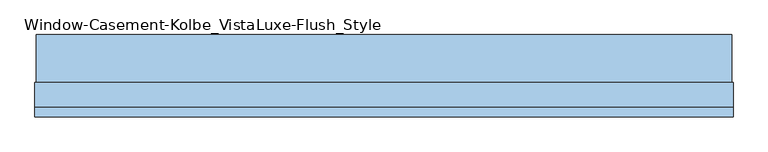
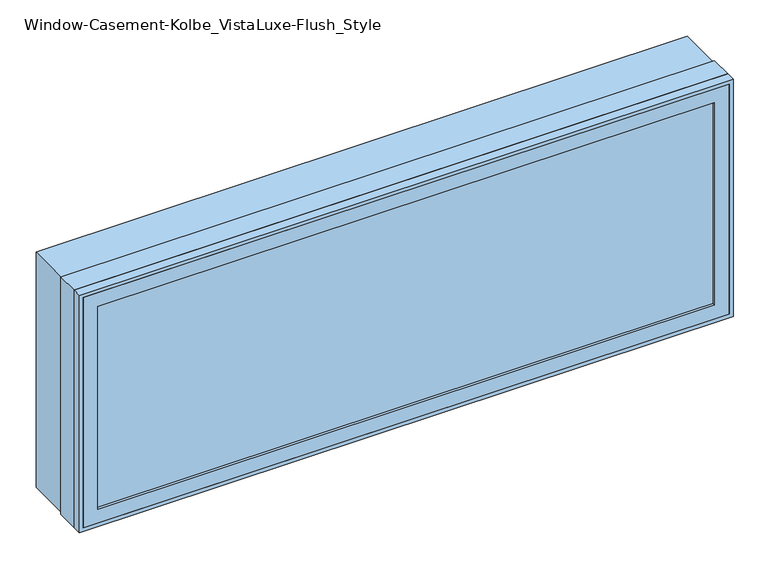
"""IFC4 building model written with IfcOpenShell, lengths in millimetres: window geometry, Window-Casement-Kolbe_VistaLuxe-Flush_Style."""

import ifcopenshell
import ifcopenshell.guid

model = None  # the IFC model being written
_history = None  # IfcOwnerHistory: only IFC2X3 demands one
_inside = {}  # id of a spatial element -> (the spatial element, [elements in it])
_under = {}  # id of a project, library or spatial element -> (it, [spatial elements below it])
_declared = {}  # id of a project -> (the project, [libraries it declares])
_typed = {}  # id of a type object -> (the type object, [elements of that type])
_made_of = {}  # id of a material, layer set ... -> (it, [elements and type objects made of it])


def new_model(schema):
    """Start an empty IFC model of exactly this schema.

    Asked for "IFC4X3", IfcOpenShell would pick the latest addendum, in which some entities
    have other attributes; the version numbers below select the first issue.
    IFC2X3 requires an IfcOwnerHistory on every rooted entity: one is made here for all.
    """
    global model, _history
    if schema == "IFC4X3":
        model = ifcopenshell.file(schema_version=(4, 3, 0, 0))
    else:
        model = ifcopenshell.file(schema=schema)
    _inside.clear()
    _under.clear()
    _declared.clear()
    _typed.clear()
    _made_of.clear()
    _history = None
    if model.schema == "IFC2X3":
        org = make("IfcOrganization", Name="unknown")
        user = make(
            "IfcPersonAndOrganization",
            ThePerson=make("IfcPerson", FamilyName="unknown"),
            TheOrganization=org,
        )
        app = make(
            "IfcApplication",
            ApplicationDeveloper=org,
            Version="unknown",
            ApplicationFullName="unknown",
            ApplicationIdentifier="unknown",
        )
        _history = make(
            "IfcOwnerHistory",
            OwningUser=user,
            OwningApplication=app,
            ChangeAction="ADDED",
            CreationDate=0,
        )
    return model


def make(cls, **values):
    """One entity of the class cls with the attributes given. An attribute that is None is left unset."""
    return model.create_entity(
        cls, **{name: value for name, value in values.items() if value is not None}
    )


def rooted(cls, **values):
    """An entity with a GlobalId (a new one), such as an element, a storey or a relation."""
    return make(cls, GlobalId=ifcopenshell.guid.new(), OwnerHistory=_history, **values)


def si_unit(unit_type, name, prefix=None):
    """IfcSIUnit, for example si_unit("LENGTHUNIT", "METRE", prefix="MILLI")."""
    return make("IfcSIUnit", UnitType=unit_type, Prefix=prefix, Name=name)


def assignment(units):
    """IfcUnitAssignment: the units of a project."""
    return None if units is None else make("IfcUnitAssignment", Units=units)


def point(xyz):
    """IfcCartesianPoint."""
    return None if xyz is None else make("IfcCartesianPoint", Coordinates=xyz)


def direction(xyz):
    """IfcDirection."""
    return None if xyz is None else make("IfcDirection", DirectionRatios=xyz)


def frame(location, z_axis=None, x_axis=None):
    """IfcAxis2Placement3D, a coordinate frame: its origin and axes. An axis left out is left unset."""
    return make(
        "IfcAxis2Placement3D",
        Location=point(location),
        Axis=direction(z_axis),
        RefDirection=direction(x_axis),
    )


def origin():
    """The frame at (0, 0, 0) with its axes left unset."""
    return frame((0.0, 0.0, 0.0))


def place(relative_to, where):
    """IfcLocalPlacement: puts the frame where relative to a parent placement (None: the world)."""
    return make(
        "IfcLocalPlacement", PlacementRelTo=relative_to, RelativePlacement=where
    )


def context(
    kind, dimensions, precision=None, world=None, true_north=None, identifier=None
):
    """IfcGeometricRepresentationContext, for example the 3D "Model" context."""
    return make(
        "IfcGeometricRepresentationContext",
        ContextIdentifier=identifier,
        ContextType=kind,
        CoordinateSpaceDimension=dimensions,
        Precision=precision,
        WorldCoordinateSystem=world,
        TrueNorth=true_north,
    )


def project(units=None, contexts=None):
    """IfcProject with its units and contexts."""
    return rooted(
        "IfcProject",
        Name="project",
        RepresentationContexts=contexts,
        UnitsInContext=assignment(units),
    )


def spatial(cls, under=None, at=None, **own):
    """A site, building, storey or space (cls), placed at a placement, below another one or the project."""
    s = rooted(cls, ObjectPlacement=at, **own)
    if under is not None:
        _under.setdefault(under.id(), (under, []))[1].append(s)
    return s


def polyline(points):
    """IfcPolyline through the points."""
    return make("IfcPolyline", Points=[point(p) for p in points])


def outline(outer, holes=None, kind="AREA"):
    """IfcArbitraryClosedProfileDef: a profile drawn as a closed curve; with holes, ...WithVoids."""
    if holes is None:
        return make("IfcArbitraryClosedProfileDef", ProfileType=kind, OuterCurve=outer)
    return make(
        "IfcArbitraryProfileDefWithVoids",
        ProfileType=kind,
        OuterCurve=outer,
        InnerCurves=holes,
    )


def extrude(swept, where, along, depth):
    """IfcExtrudedAreaSolid: the profile swept, set in the frame where, extruded along a direction by depth."""
    return make(
        "IfcExtrudedAreaSolid",
        SweptArea=swept,
        Position=where,
        ExtrudedDirection=direction(along),
        Depth=depth,
    )


def faces_of(points, faces, orient=None, outer=None):
    """IfcFace entities. A face is a list of loops; a loop is a list of indices into points, from 0.

    orient and outer hold one flag for each loop. By default every Orientation is true, the
    first loop of a face is its IfcFaceOuterBound and the others are IfcFaceBound.
    """
    made = []
    for i, loops in enumerate(faces):
        bounds = []
        for j, loop in enumerate(loops):
            is_outer = j == 0 if outer is None else outer[i][j]
            bounds.append(
                make(
                    "IfcFaceOuterBound" if is_outer else "IfcFaceBound",
                    Bound=make("IfcPolyLoop", Polygon=[points[k] for k in loop]),
                    Orientation=True if orient is None else orient[i][j],
                )
            )
        made.append(make("IfcFace", Bounds=bounds))
    return made


def faceted_brep(points, faces, orient=None, outer=None, voids=None):
    """IfcFacetedBrep: a solid bounded by flat faces; with voids (closed shells), ...WithVoids."""
    shared = [point(p) for p in points]
    hull = make("IfcClosedShell", CfsFaces=faces_of(shared, faces, orient, outer))
    if voids is None:
        return make("IfcFacetedBrep", Outer=hull)
    return make(
        "IfcFacetedBrepWithVoids",
        Outer=hull,
        Voids=[
            make(cls, CfsFaces=faces_of(shared, fs, o, b)) for cls, fs, o, b in voids
        ],
    )


def shape(context_of_items, identifier, shape_type, items):
    """IfcShapeRepresentation: the items that make up one representation, for example the "Body"."""
    return make(
        "IfcShapeRepresentation",
        ContextOfItems=context_of_items,
        RepresentationIdentifier=identifier,
        RepresentationType=shape_type,
        Items=items,
    )


def source(mapping_origin, context_of_items, identifier, shape_type, items):
    """IfcRepresentationMap: a shape defined once, which mapped items show again and again."""
    return make(
        "IfcRepresentationMap",
        MappingOrigin=mapping_origin,
        MappedRepresentation=shape(context_of_items, identifier, shape_type, items),
    )


def transform(
    local_origin,
    x_axis=None,
    y_axis=None,
    z_axis=None,
    scale=None,
    scale2=None,
    scale3=None,
    uniform=True,
):
    """IfcCartesianTransformationOperator3D, or its non-uniform kind. x_axis, y_axis, z_axis: its Axis1, 2, 3."""
    if uniform:
        return make(
            "IfcCartesianTransformationOperator3D",
            Axis1=direction(x_axis),
            Axis2=direction(y_axis),
            LocalOrigin=point(local_origin),
            Scale=scale,
            Axis3=direction(z_axis),
        )
    return make(
        "IfcCartesianTransformationOperator3DnonUniform",
        Axis1=direction(x_axis),
        Axis2=direction(y_axis),
        LocalOrigin=point(local_origin),
        Scale=scale,
        Axis3=direction(z_axis),
        Scale2=scale2,
        Scale3=scale3,
    )


def mapped(mapping_source, mapping_target):
    """IfcMappedItem: shows the shape of a source again, moved by a transform."""
    return make(
        "IfcMappedItem", MappingSource=mapping_source, MappingTarget=mapping_target
    )


def made_of(thing, what):
    """Note that an element or type object is made of a material, layer set ...; save() writes the relation."""
    if what is not None:
        _made_of.setdefault(what.id(), (what, []))[1].append(thing)
    return thing


def element(
    cls,
    number,
    at=None,
    inside=None,
    cuts=None,
    type_object=None,
    material=None,
    context=None,
    identifier="Body",
    shape_type=None,
    held_by="IfcProductDefinitionShape",
    body=None,
    shapes=None,
    **own,
):
    """One element of the class cls, such as IfcWall. Its Tag is "e" and its number.

    at: its placement. inside: the storey or other place that contains it. cuts: it is an
    opening in that element (IfcRelVoidsElement). A single representation is given by context,
    identifier, shape_type and body (its items); several are given by shapes. held_by: the class
    of the entity that holds the representations. save() writes the other relations.
    """
    e = rooted(cls, Tag="e%d" % number, ObjectPlacement=at, **own)
    if body is not None:
        shapes = [shape(context, identifier, shape_type, body)]
    if shapes is not None:
        e.Representation = make(held_by, Representations=shapes)
    if inside is not None:
        _inside.setdefault(inside.id(), (inside, []))[1].append(e)
    if cuts is not None:
        rooted(
            "IfcRelVoidsElement", RelatingBuildingElement=cuts, RelatedOpeningElement=e
        )
    if type_object is not None:
        _typed.setdefault(type_object.id(), (type_object, []))[1].append(e)
    return made_of(e, material)


def aggregate(whole, parts):
    """IfcRelAggregates: a whole, such as a stair, and the parts it consists of."""
    return rooted("IfcRelAggregates", RelatingObject=whole, RelatedObjects=parts)


def save(model, path):
    """Write the relations noted so far, then the file.

    IfcRelAggregates (storeys below a building ...), IfcRelContainedInSpatialStructure (elements
    in a storey), IfcRelDefinesByType, IfcRelAssociatesMaterial and IfcRelDeclares: one each for
    every whole, place, type object, material and project.
    """
    for whole, parts in _under.values():
        aggregate(whole, parts)
    for where, things in _inside.values():
        rooted(
            "IfcRelContainedInSpatialStructure",
            RelatedElements=things,
            RelatingStructure=where,
        )
    for kind, things in _typed.values():
        rooted("IfcRelDefinesByType", RelatedObjects=things, RelatingType=kind)
    for what, things in _made_of.values():
        rooted("IfcRelAssociatesMaterial", RelatedObjects=things, RelatingMaterial=what)
    for by, libraries in _declared.values():
        rooted("IfcRelDeclares", RelatingContext=by, RelatedDefinitions=libraries)
    model.write(path)


def window_casement_kolbe_vistaluxe_flush_style_e4abb361(model_context):
    return source(origin(), model_context, "Body", "SolidModel", [
        faceted_brep([(-939.8696599, -121.37898, 970.676875), (-939.8696599, -129.31648, 970.676875), (928.7765901, -129.31648, 970.676875), (928.7765901, -121.37898, 970.676875), (-955.7446599, -99.12858, 954.801875), (-955.7446599, -121.37898, 954.801875), (944.6515901, -121.37898, 954.801875), (944.6515901, -99.12858, 954.801875), (-939.8696599, -80.10398, 970.676875), (-939.8696599, -99.12858, 970.676875), (928.7765901, -99.12858, 970.676875), (928.7765901, -80.10398, 970.676875), (-984.3196599, -129.31648, 926.226875), (-984.3196599, -80.10398, 926.226875), (973.2265901, -80.10398, 926.226875), (973.2265901, -129.31648, 926.226875), (928.7765901, -129.31648, 1620.123125), (928.7765901, -121.37898, 1620.123125), (944.6515901, -121.37898, 1635.998125), (944.6515901, -99.12858, 1635.998125), (928.7765901, -99.12858, 1620.123125), (928.7765901, -80.10398, 1620.123125), (973.2265901, -80.10398, 1664.573125), (973.2265901, -129.31648, 1664.573125), (-939.8696599, -129.31648, 1620.123125), (-939.8696599, -121.37898, 1620.123125), (-955.7446599, -121.37898, 1635.998125), (-955.7446599, -99.12858, 1635.998125), (-939.8696599, -99.12858, 1620.123125), (-939.8696599, -80.10398, 1620.123125), (-984.3196599, -80.10398, 1664.573125), (-984.3196599, -129.31648, 1664.573125)], [[[0, 1, 2, 3]], [[4, 5, 6, 7]], [[8, 9, 10, 11]], [[12, 13, 14, 15]], [[3, 2, 16, 17]], [[7, 6, 18, 19]], [[11, 10, 20, 21]], [[15, 14, 22, 23]], [[17, 16, 24, 25]], [[19, 18, 26, 27]], [[21, 20, 28, 29]], [[23, 22, 30, 31]], [[25, 24, 1, 0]], [[5, 26, 18, 6], [3, 17, 25, 0]], [[27, 26, 5, 4]], [[7, 19, 27, 4], [9, 28, 20, 10]], [[29, 28, 9, 8]], [[13, 30, 22, 14], [11, 21, 29, 8]], [[31, 30, 13, 12]], [[15, 23, 31, 12], [1, 24, 16, 2]]]),
        extrude(outline(polyline([(1672.8186, 981.4720651), (1672.8186, -992.5651349), (917.9814, -992.5651349), (917.9814, 981.4720651), (1672.8186, 981.4720651)]), holes=[polyline([(936.545625, 962.9078401), (936.545625, -974.0009099), (1654.254375, -974.0009099), (1654.254375, 962.9078401), (936.545625, 962.9078401)])]), frame((0.0, -32.5247, 0.0), z_axis=(0.0, 1.0, 0.0), x_axis=(0.0, 0.0, 1.0)), (0.0, 0.0, 1.0), 135.7122),
        extrude(outline(polyline([(1676.4, -996.1465349), (914.4, -996.1465349), (914.4, 985.0534651), (1676.4, 985.0534651), (1676.4, -996.1465349)]), holes=[polyline([(1664.573125, 973.2265901), (926.226875, 973.2265901), (926.226875, -984.3196599), (1664.573125, -984.3196599), (1664.573125, 973.2265901)])]), frame((0.0, -130.1115, 0.0), z_axis=(0.0, 1.0, 0.0), x_axis=(0.0, 0.0, 1.0)), (0.0, 0.0, 1.0), 26.924),
        faceted_brep([(985.0534651, -32.5247, 914.4), (985.0534651, -103.1875, 914.4), (-996.1465349, -103.1875, 914.4), (-996.1465349, -32.5247, 914.4), (962.9078401, -80.10525, 936.545625), (962.9078401, -32.5247, 936.545625), (-974.0009099, -32.5247, 936.545625), (-974.0009099, -80.10525, 936.545625), (973.2265901, -103.1875, 926.226875), (973.2265901, -80.10525, 926.226875), (-984.3196599, -80.10525, 926.226875), (-984.3196599, -103.1875, 926.226875), (-996.1465349, -103.1875, 1676.4), (-996.1465349, -32.5247, 1676.4), (-974.0009099, -32.5247, 1654.254375), (-974.0009099, -80.10525, 1654.254375), (-984.3196599, -80.10525, 1664.573125), (-984.3196599, -103.1875, 1664.573125), (985.0534651, -103.1875, 1676.4), (985.0534651, -32.5247, 1676.4), (962.9078401, -32.5247, 1654.254375), (962.9078401, -80.10525, 1654.254375), (973.2265901, -80.10525, 1664.573125), (973.2265901, -103.1875, 1664.573125)], [[[0, 1, 2, 3]], [[4, 5, 6, 7]], [[8, 9, 10, 11]], [[3, 2, 12, 13]], [[7, 6, 14, 15]], [[11, 10, 16, 17]], [[13, 12, 18, 19]], [[15, 14, 20, 21]], [[17, 16, 22, 23]], [[19, 18, 1, 0]], [[3, 13, 19, 0], [5, 20, 14, 6]], [[21, 20, 5, 4]], [[9, 22, 16, 10], [7, 15, 21, 4]], [[23, 22, 9, 8]], [[1, 18, 12, 2], [11, 17, 23, 8]]]),
        extrude(outline(polyline([(941.4765901, -102.30358), (-952.5696599, -102.30358), (-952.5696599, -99.12858), (941.4765901, -99.12858), (941.4765901, -102.30358)])), frame((0.0, 0.0, 957.976875), z_axis=(0.0, 0.0, 1.0), x_axis=(1.0, 0.0, 0.0)), (0.0, 0.0, 1.0), 674.84625),
        extrude(outline(polyline([(941.4765901, -118.20398), (941.4765901, -121.37898), (-952.5696599, -121.37898), (-952.5696599, -118.20398), (941.4765901, -118.20398)])), frame((0.0, 0.0, 957.976875), z_axis=(0.0, 0.0, 1.0), x_axis=(1.0, 0.0, 0.0)), (0.0, 0.0, 1.0), 674.84625),
        extrude(outline(polyline([(936.545625, 962.9078401), (1654.254375, 962.9078401), (1654.254375, -974.0009099), (936.545625, -974.0009099), (936.545625, 962.9078401)]), holes=[polyline([(954.801875, -955.7446599), (1635.998125, -955.7446599), (1635.998125, 944.6515901), (954.801875, 944.6515901), (954.801875, -955.7446599)])]), frame((0.0, -80.10525, 0.0), z_axis=(0.0, 1.0, 0.0), x_axis=(0.0, 0.0, 1.0)), (0.0, 0.0, 1.0), 50.8),
    ])


if __name__ == "__main__":
    model = new_model("IFC4")
    model_context = context("Model", 3, world=origin())
    ifc_project = project(units=[si_unit("LENGTHUNIT", "METRE", prefix="MILLI")], contexts=[model_context])
    site = spatial("IfcSite", under=ifc_project)
    building = spatial("IfcBuilding", under=site)
    placement = place(None, origin())
    window_casement_kolbe_vistaluxe_flush_style_shape = window_casement_kolbe_vistaluxe_flush_style_e4abb361(model_context)
    element("IfcWindow", 1, ObjectType="Window-Casement-Kolbe_VistaLuxe-Flush_Style", at=placement, inside=building, context=model_context, shape_type="MappedRepresentation", body=[
        mapped(window_casement_kolbe_vistaluxe_flush_style_shape, transform((0.0, 0.0, 0.0), x_axis=(1.0, 0.0, 0.0), y_axis=(0.0, 1.0, 0.0), z_axis=(0.0, 0.0, 1.0))),
    ])
    save(model, "model.ifc")
